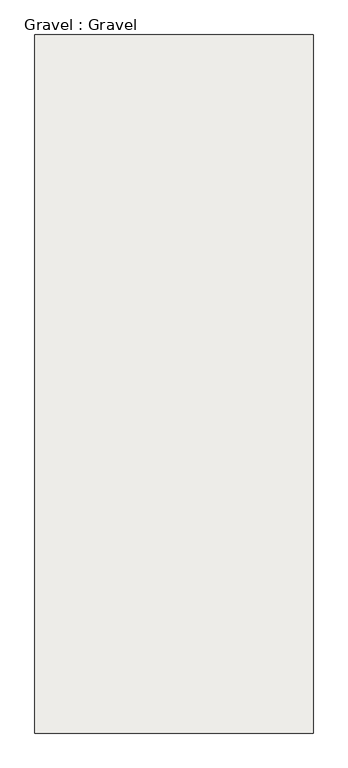
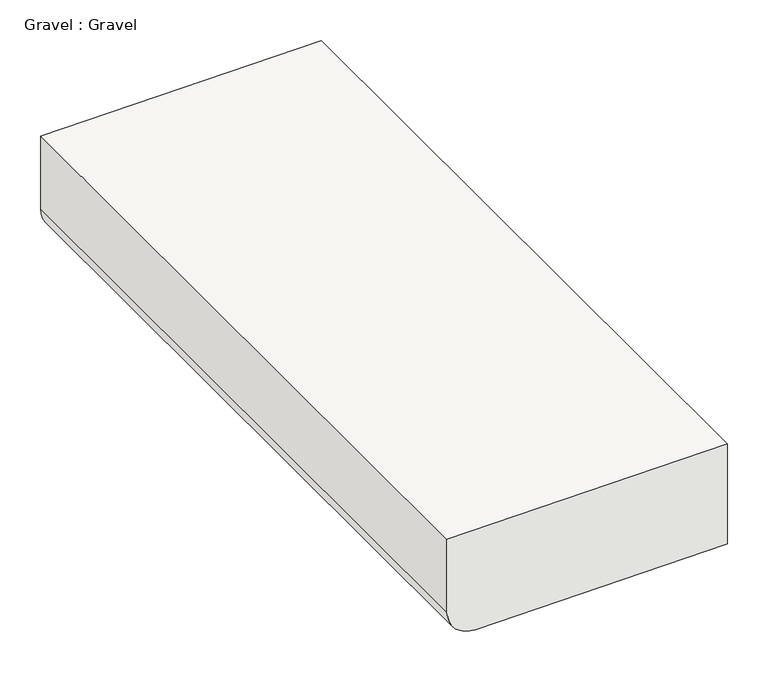
"""IFC4 building model written with IfcOpenShell, lengths in millimetres: roof geometry, Gravel : Gravel."""

from ifc_helpers import new_model, si_unit, point, frame, frame_2d, origin, place, context, project, spatial, polyline, circle_curve, trimmed, segment, composite_curve, outline, extrude, source, transform, mapped, element, save


def gravel_gravel_920528f3(model_context):
    return source(origin(), model_context, "Body", "SweptSolid", [
        extrude(outline(composite_curve([segment(polyline([(121.9283002, 1431.4608765), (271.9358, 1431.4608765), (267.95625, 1033.505875), (158.3507501, 1033.505875)]), True, "CONTINUOUS"), segment(trimmed(circle_curve(frame_2d((158.3507501, 1073.505875)), 40.0), [point((158.3507501, 1033.505875))], [point((118.35275, 1073.905855))], False, "CARTESIAN"), True, "CONTINUOUS"), segment(polyline([(118.35275, 1073.905855), (121.9283002, 1431.4608765)]), True, "CONTINUOUS")], self_intersect=False)), frame((0.0, 4118.9119251, 0.0), z_axis=(0.0, 1.0, 0.0), x_axis=(0.0, 0.0, 1.0)), (0.0, 0.0, 1.0), 999.0642498),
    ])


if __name__ == "__main__":
    model = new_model("IFC4")
    model_context = context("Model", 3, world=origin())
    ifc_project = project(units=[si_unit("LENGTHUNIT", "METRE", prefix="MILLI")], contexts=[model_context])
    site = spatial("IfcSite", under=ifc_project)
    building = spatial("IfcBuilding", under=site)
    placement = place(None, origin())
    gravel_gravel_shape = gravel_gravel_920528f3(model_context)
    element("IfcRoof", 1, ObjectType="Gravel : Gravel", at=placement, inside=building, context=model_context, shape_type="MappedRepresentation", body=[
        mapped(gravel_gravel_shape, transform((0.0, 0.0, 0.0), x_axis=(1.0, 0.0, 0.0), y_axis=(0.0, 1.0, 0.0), z_axis=(0.0, 0.0, 1.0))),
    ])
    save(model, "model.ifc")
